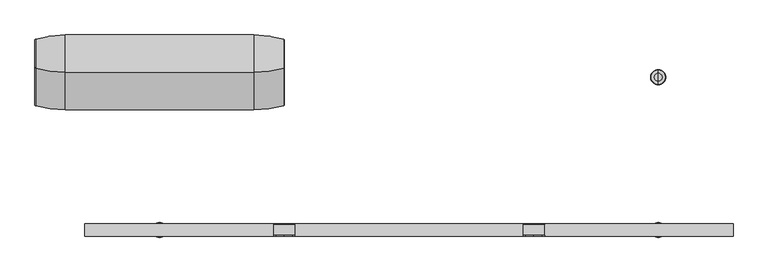
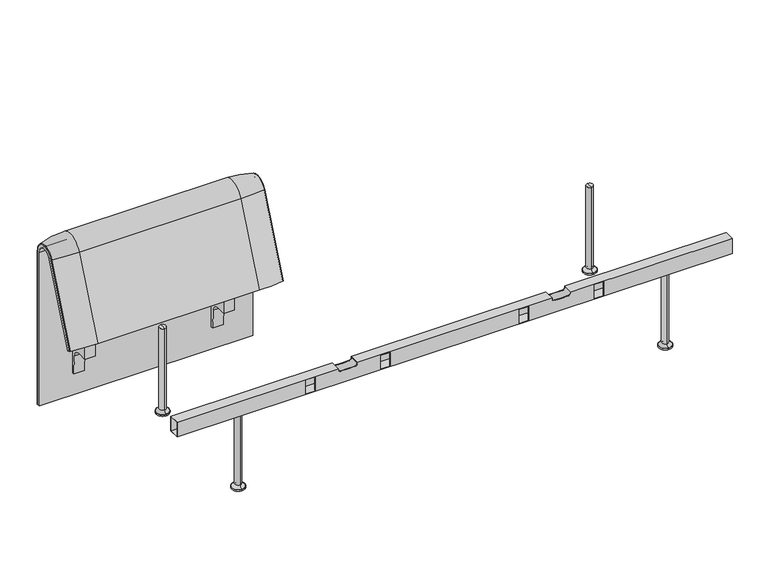
"""IFC4 building model written with IfcOpenShell, lengths in millimetres: furniture geometry."""

from ifc_helpers import new_model, si_unit, point, frame, frame_2d, origin, place, context, project, spatial, polyline, circle_curve, ellipse_curve, trimmed, segment, composite_curve, outline, extrude, source, transform, mapped, element, save
from ifc_brep_helpers import plane_surface, cylinder_surface, revolved_surface, advanced_brep


def furniture_9f03a4b9(model_context):
    return source(origin(), model_context, "Body", "SolidModel", [
        extrude(outline(composite_curve([segment(trimmed(circle_curve(frame_2d((305.0000061, 379.9223263)), 30.0), [point((305.0000061, 349.9223263))], [point((335.0000061, 379.9223263))], True, "CARTESIAN"), True, "CONTINUOUS"), segment(polyline([(335.0000061, 379.9223263), (335.0000061, 515.0657595)]), True, "CONTINUOUS"), segment(trimmed(circle_curve(frame_2d((305.0000061, 515.0657595)), 30.0), [point((335.0000061, 515.0657595))], [point((316.7219399, 542.6809051))], True, "CARTESIAN"), True, "CONTINUOUS"), segment(polyline([(316.7219399, 542.6809051), (257.4911714, 567.8228747)]), True, "CONTINUOUS"), segment(trimmed(circle_curve(frame_2d((251.6302045, 554.0153019)), 15.0), [point((257.4911714, 567.8228747))], [point((238.0355877, 560.3545758))], True, "CARTESIAN"), True, "CONTINUOUS"), segment(polyline([(238.0355877, 560.3545758), (222.2725218, 526.5505721), (213.7507451, 529.5682915), (296.3054528, 724.0549949)]), True, "CONTINUOUS"), segment(trimmed(circle_curve(frame_2d((322.520748, 712.9272623)), 28.479258), [point((296.3054528, 724.0549949))], [point((351.0000061, 712.9272623))], False, "CARTESIAN"), True, "CONTINUOUS"), segment(polyline([(351.0000061, 712.9272623), (351.0000061, 197.0551771), (343.3075759, 197.0551771), (339.4064861, 271.492405)]), True, "CONTINUOUS"), segment(trimmed(circle_curve(frame_2d((309.4476, 269.9223263)), 30.0), [point((339.4064861, 271.492405))], [point((309.4476, 299.9223263))], True, "CARTESIAN"), True, "CONTINUOUS"), segment(polyline([(309.4476, 299.9223263), (270.0000061, 299.9223263), (270.0000061, 359.9223263), (275.0000061, 359.9223263)]), True, "CONTINUOUS"), segment(trimmed(circle_curve(frame_2d((285.0000061, 359.9223263)), 10.0), [point((275.0000061, 359.9223263))], [point((285.0000061, 349.9223263))], True, "CARTESIAN"), True, "CONTINUOUS"), segment(polyline([(285.0000061, 349.9223263), (305.0000061, 349.9223263)]), True, "CONTINUOUS")], self_intersect=False), holes=[composite_curve([segment(polyline([(337.5000061, 576.3274105), (337.5000061, 716.7072663)]), True, "CONTINUOUS"), segment(trimmed(circle_curve(frame_2d((322.5000061, 716.7072663)), 15.0), [point((337.5000061, 716.7072663))], [point((308.9053893, 723.0465402))], True, "CARTESIAN"), True, "CONTINUOUS"), segment(polyline([(308.9053893, 723.0465402), (253.6256191, 604.4986904)]), True, "CONTINUOUS"), segment(trimmed(circle_curve(frame_2d((271.7517748, 596.0463251)), 20.0), [point((253.6256191, 604.4986904))], [point((265.0756376, 577.1934953))], True, "CARTESIAN"), True, "CONTINUOUS"), segment(polyline([(265.0756376, 577.1934953), (314.1406626, 559.8186587)]), True, "CONTINUOUS"), segment(trimmed(circle_curve(frame_2d((319.9867182, 576.3274105)), 17.5132879), [point((314.1406626, 559.8186587))], [point((337.5000061, 576.3274105))], True, "CARTESIAN"), True, "CONTINUOUS")], self_intersect=False)]), frame((-570.986452, 0.0, 0.0), z_axis=(1.0, 0.0, 0.0), x_axis=(0.0, 1.0, 0.0)), (0.0, 0.0, 1.0), 40.0),
        advanced_brep(
        [(-507.9740803, 388.2902376, 100.5089435), (-410.1127088, 373.93893, 100.5089435), (-407.9740803, 371.0652495, 100.5089435), (-407.9740803, 359.7858817, 100.5089435), (-1223.9884174, 359.7858817, 100.5089435), (-1223.9884174, 371.0652495, 100.5089435), (-1221.8497889, 373.93893, 100.5089435), (-1123.9884174, 388.2902376, 100.5089435), (-1123.9884174, 388.2902376, 720.3417731), (-507.9740803, 388.2902376, 720.3417731), (-410.1127088, 373.93893, 720.3417731), (-407.9740803, 371.0652495, 720.3417731), (-407.9740803, 282.0164812, 738.0210907), (-407.9740803, 159.7723383, 442.2908598), (-407.9740803, 170.1962447, 437.9819952), (-407.9740803, 292.4403877, 733.7122262), (-407.9740803, 359.7858817, 720.3417731), (-1223.9884174, 359.7858817, 720.3417731), (-507.9740803, 143.8537454, 448.8710282), (-1123.9884174, 143.8537454, 448.8710282), (-1221.8497889, 157.1166065, 443.3886429), (-1223.9884174, 159.7723383, 442.2908598), (-1223.9884174, 170.1962447, 437.9819952), (-410.1127088, 157.1166065, 443.3886429), (-507.9740803, 266.0978884, 744.6012592), (-1123.9884174, 266.0978884, 744.6012592), (-410.1127088, 279.3607494, 739.1188739), (-1223.9884174, 292.4403877, 733.7122262), (-1223.9884174, 282.0164812, 738.0210907), (-1223.9884174, 371.0652495, 720.3417731), (-1221.8497889, 373.93893, 720.3417731), (-1221.8497889, 279.3607494, 739.1188739)],
        [
            (0, 1, circle_curve(frame((-507.9740803, 47.4569043, 100.5089435), z_axis=(0.0, 0.0, -1.0), x_axis=(0.0, -1.0, 0.0)), 340.8333333)),
            (1, 2, circle_curve(frame((-410.9740803, 371.0652495, 100.5089435), z_axis=(0.0, 0.0, -1.0), x_axis=(1.0, 0.0, 0.0)), 3.0)),
            (2, 3),
            (3, 4),
            (4, 5),
            (5, 6, circle_curve(frame((-1220.9884174, 371.0652495, 100.5089435), z_axis=(0.0, 0.0, -1.0), x_axis=(-1.0, 0.0, 0.0)), 3.0)),
            (6, 7, circle_curve(frame((-1123.9884174, 47.4569043, 100.5089435), z_axis=(0.0, 0.0, -1.0), x_axis=(0.0, -1.0, 0.0)), 340.8333333)),
            (7, 0),
            (7, 8),
            (8, 9),
            (9, 0),
            (9, 10, circle_curve(frame((-507.9740803, 47.4569043, 720.3417731), z_axis=(0.0, 0.0, -1.0), x_axis=(0.0, -1.0, 0.0)), 340.8333333)),
            (10, 1),
            (10, 11, circle_curve(frame((-410.9740803, 371.0652495, 720.3417731), z_axis=(0.0, 0.0, -1.0), x_axis=(1.0, 0.0, 0.0)), 3.0)),
            (11, 2),
            (11, 12, circle_curve(frame((-407.9740803, 324.7858817, 720.3417731), z_axis=(1.0, 0.0, 0.0), x_axis=(0.0, 1.0, 0.0)), 46.2793679)),
            (12, 13),
            (13, 14),
            (14, 15),
            (15, 16, circle_curve(frame((-407.9740803, 324.7858817, 720.3417731), z_axis=(-1.0, 0.0, 0.0), x_axis=(0.0, 1.0, 0.0)), 35.0)),
            (16, 3),
            (16, 17),
            (17, 4),
            (18, 19),
            (19, 20, circle_curve(frame((-1123.9884174, 458.8372467, 318.6682822), z_axis=(0.0, -0.38201294675155345, -0.9241569717933176), x_axis=(0.0, 0.9241569717933176, -0.38201294675155345)), 340.8333333)),
            (20, 21, circle_curve(frame((-1220.9884174, 159.7723383, 442.2908598), z_axis=(0.0, -0.38201294675155345, -0.9241569717933176), x_axis=(-1.0, 0.0, 0.0)), 3.0)),
            (21, 22),
            (22, 14),
            (13, 23, circle_curve(frame((-410.9740803, 159.7723383, 442.2908598), z_axis=(0.0, -0.38201294675155345, -0.9241569717933176), x_axis=(1.0, 0.0, 0.0)), 3.0)),
            (23, 18, circle_curve(frame((-507.9740803, 458.8372467, 318.6682822), z_axis=(0.0, -0.38201294675155345, -0.9241569717933176), x_axis=(0.0, 0.9241569717933176, -0.38201294675155345)), 340.8333333)),
            (24, 9, circle_curve(frame((-507.9740803, 324.7858817, 720.3417731), z_axis=(-1.0, 0.0, 0.0), x_axis=(0.0, 1.0, 0.0)), 63.5043559)),
            (8, 25, circle_curve(frame((-1123.9884174, 324.7858817, 720.3417731), z_axis=(1.0, 0.0, 0.0), x_axis=(0.0, 1.0, 0.0)), 63.5043559)),
            (25, 24),
            (26, 10, circle_curve(frame((-410.1127088, 324.7858817, 720.3417731), z_axis=(-1.0, 0.0, 0.0), x_axis=(0.0, 1.0, 0.0)), 49.1530483)),
            (24, 26, circle_curve(frame((-507.9740803, 581.0813896, 614.3985132), z_axis=(0.0, 0.382012946751556, 0.9241569717933165), x_axis=(0.0, 0.9241569717933165, -0.382012946751556)), 340.8333333)),
            (26, 12, circle_curve(frame((-410.9740803, 282.0164812, 738.0210907), z_axis=(0.0, 0.3820129467515552, 0.9241569717933168), x_axis=(1.0, 0.0, 0.0)), 3.0)),
            (27, 17, circle_curve(frame((-1223.9884174, 324.7858817, 720.3417731), z_axis=(-1.0, 0.0, 0.0), x_axis=(0.0, 1.0, 0.0)), 35.0)),
            (15, 27),
            (25, 19),
            (18, 24),
            (23, 26),
            (22, 27),
            (21, 28),
            (28, 29, circle_curve(frame((-1223.9884174, 324.7858817, 720.3417731), z_axis=(-1.0, 0.0, 0.0), x_axis=(0.0, 1.0, 0.0)), 46.2793679)),
            (29, 5),
            (29, 30, circle_curve(frame((-1220.9884174, 371.0652495, 720.3417731), z_axis=(0.0, 0.0, -1.0), x_axis=(-1.0, 0.0, 0.0)), 3.0)),
            (30, 6),
            (30, 8, circle_curve(frame((-1123.9884174, 47.4569043, 720.3417731), z_axis=(0.0, 0.0, -1.0), x_axis=(0.0, -1.0, 0.0)), 340.8333333)),
            (31, 30, circle_curve(frame((-1221.8497889, 324.7858817, 720.3417731), z_axis=(-1.0, 0.0, 0.0), x_axis=(0.0, 1.0, 0.0)), 49.1530483)),
            (28, 31, circle_curve(frame((-1220.9884174, 282.0164812, 738.0210907), z_axis=(0.0, 0.3820129467515544, 0.9241569717933172), x_axis=(-1.0, 0.0, 0.0)), 3.0)),
            (31, 25, circle_curve(frame((-1123.9884174, 581.0813896, 614.3985132), z_axis=(0.0, 0.3820129467515532, 0.9241569717933177), x_axis=(0.0, 0.9241569717933177, -0.3820129467515532)), 340.8333333)),
            (20, 31),
        ],
        [
            plane_surface(frame((-811.2162256, 359.7858817, 100.5089435), z_axis=(0.0, 0.0, -1.0), x_axis=(1.0, 0.0, 0.0))),
            plane_surface(frame((-1123.9884174, 388.2902376, 100.5089435), z_axis=(0.0, 1.0, 0.0), x_axis=(0.0, 0.0, 1.0))),
            cylinder_surface(frame((-507.9740803, 47.4569043, 100.5089435), z_axis=(0.0, 0.0, -1.0), x_axis=(0.0, -1.0, 0.0)), 340.8333333),
            cylinder_surface(frame((-410.9740803, 371.0652495, 100.5089435), z_axis=(0.0, 0.0, -1.0), x_axis=(1.0, 0.0, 0.0)), 3.0),
            plane_surface(frame((-407.9740803, 371.0652495, 100.5089435), z_axis=(1.0, 0.0, 0.0), x_axis=(0.0, 0.0, 1.0))),
            plane_surface(frame((-407.9740803, 359.7858817, 100.5089435), z_axis=(0.0, -1.0, 0.0), x_axis=(0.0, 0.0, 1.0))),
            plane_surface(frame((-811.2162256, 170.1962447, 437.9819952), z_axis=(0.0, -0.38201294675155345, -0.9241569717933176), x_axis=(1.0, 0.0, 0.0))),
            cylinder_surface(frame((-811.2162256, 324.7858817, 720.3417731), z_axis=(1.0, 0.0, 0.0), x_axis=(0.0, 1.0, 0.0)), 63.5043559),
            revolved_surface(trimmed(ellipse_curve(frame((-507.9740803, 47.4569043, 720.3417731), z_axis=(0.0, 0.0, -1.0), x_axis=(0.0, -1.0, 0.0)), 340.8333333, 340.8333333), [point((-507.9740803, 388.2902376, 720.3417731))], [point((-410.1127088, 373.93893, 720.3417731))], True, "CARTESIAN"), (-811.2162256, 324.7858817, 720.3417731), (1.0, 0.0, 0.0)),
            revolved_surface(trimmed(ellipse_curve(frame((-410.9740803, 371.0652495, 720.3417731), z_axis=(0.0, 0.0, -1.0), x_axis=(1.0, 0.0, 0.0)), 3.0, 3.0), [point((-410.1127088, 373.93893, 720.3417731))], [point((-407.9740803, 371.0652495, 720.3417731))], True, "CARTESIAN"), (-811.2162256, 324.7858817, 720.3417731), (1.0, 0.0, 0.0)),
            revolved_surface(polyline([(-407.9740803, 359.7858817, 720.3417731), (-1223.9884174, 359.7858817, 720.3417731)]), (-811.2162256, 324.7858817, 720.3417731), (1.0, 0.0, 0.0)),
            plane_surface(frame((-1123.9884174, 266.0978884, 744.6012592), z_axis=(0.0, -0.9241569717933176, 0.38201294675155356), x_axis=(0.0, -0.38201294675155356, -0.9241569717933176))),
            cylinder_surface(frame((-507.9740803, 581.0813896, 614.3985132), z_axis=(0.0, 0.38201294675155345, 0.9241569717933176), x_axis=(0.0, 0.9241569717933176, -0.38201294675155345)), 340.8333333),
            cylinder_surface(frame((-410.9740803, 282.0164812, 738.0210907), z_axis=(0.0, 0.38201294675155345, 0.9241569717933176), x_axis=(1.0, 0.0, 0.0)), 3.0),
            plane_surface(frame((-407.9740803, 292.4403877, 733.7122262), z_axis=(0.0, 0.9241569717933176, -0.38201294675155356), x_axis=(0.0, -0.38201294675155356, -0.9241569717933176))),
            plane_surface(frame((-1223.9884174, 359.7858817, 100.5089435), z_axis=(-1.0, 0.0, 0.0), x_axis=(0.0, 0.0, 1.0))),
            cylinder_surface(frame((-1220.9884174, 371.0652495, 100.5089435), z_axis=(0.0, 0.0, -1.0), x_axis=(-1.0, 0.0, 0.0)), 3.0),
            cylinder_surface(frame((-1123.9884174, 47.4569043, 100.5089435), z_axis=(0.0, 0.0, -1.0), x_axis=(0.0, -1.0, 0.0)), 340.8333333),
            revolved_surface(trimmed(ellipse_curve(frame((-1220.9884174, 371.0652495, 720.3417731), z_axis=(0.0, 0.0, -1.0), x_axis=(-1.0, 0.0, 0.0)), 3.0, 3.0), [point((-1223.9884174, 371.0652495, 720.3417731))], [point((-1221.8497889, 373.93893, 720.3417731))], True, "CARTESIAN"), (-811.2162256, 324.7858817, 720.3417731), (1.0, 0.0, 0.0)),
            revolved_surface(trimmed(ellipse_curve(frame((-1123.9884174, 47.4569043, 720.3417731), z_axis=(0.0, 0.0, -1.0), x_axis=(0.0, -1.0, 0.0)), 340.8333333, 340.8333333), [point((-1221.8497889, 373.93893, 720.3417731))], [point((-1123.9884174, 388.2902376, 720.3417731))], True, "CARTESIAN"), (-811.2162256, 324.7858817, 720.3417731), (1.0, 0.0, 0.0)),
            cylinder_surface(frame((-1220.9884174, 282.0164812, 738.0210907), z_axis=(0.0, 0.38201294675155345, 0.9241569717933176), x_axis=(-1.0, 0.0, 0.0)), 3.0),
            cylinder_surface(frame((-1123.9884174, 581.0813896, 614.3985132), z_axis=(0.0, 0.38201294675155345, 0.9241569717933176), x_axis=(0.0, 0.9241569717933176, -0.38201294675155345)), 340.8333333),
        ],
        [
            (0, [[1, 2, 3, 4, 5, 6, 7, 8]]),
            (1, [[-8, 9, 10, 11]]),
            (2, [[-1, -11, 12, 13]]),
            (3, [[-2, -13, 14, 15]]),
            (4, [[-3, -15, 16, 17, 18, 19, 20, 21]]),
            (5, [[-4, -21, 22, 23]]),
            (6, [[24, 25, 26, 27, 28, -18, 29, 30]]),
            (7, [[31, -10, 32, 33]]),
            (8, [[34, -12, -31, 35]]),
            (9, [[-16, -14, -34, 36]]),
            (10, [[37, -22, -20, 38]]),
            (11, [[-33, 39, -24, 40]]),
            (12, [[-35, -40, -30, 41]]),
            (13, [[-36, -41, -29, -17]]),
            (14, [[-38, -19, -28, 42]]),
            (15, [[-5, -23, -37, -42, -27, 43, 44, 45]]),
            (16, [[-6, -45, 46, 47]]),
            (17, [[-7, -47, 48, -9]]),
            (18, [[49, -46, -44, 50]]),
            (19, [[-32, -48, -49, 51]]),
            (20, [[-50, -43, -26, 52]]),
            (21, [[-51, -52, -25, -39]]),
        ],
    ),
        extrude(outline(composite_curve([segment(trimmed(circle_curve(frame_2d((305.0000061, 379.9223263)), 30.0), [point((305.0000061, 349.9223263))], [point((335.0000061, 379.9223263))], True, "CARTESIAN"), True, "CONTINUOUS"), segment(polyline([(335.0000061, 379.9223263), (335.0000061, 515.0657595)]), True, "CONTINUOUS"), segment(trimmed(circle_curve(frame_2d((305.0000061, 515.0657595)), 30.0), [point((335.0000061, 515.0657595))], [point((316.7219399, 542.6809051))], True, "CARTESIAN"), True, "CONTINUOUS"), segment(polyline([(316.7219399, 542.6809051), (257.4911714, 567.8228747)]), True, "CONTINUOUS"), segment(trimmed(circle_curve(frame_2d((251.6302045, 554.0153019)), 15.0), [point((257.4911714, 567.8228747))], [point((238.0355877, 560.3545758))], True, "CARTESIAN"), True, "CONTINUOUS"), segment(polyline([(238.0355877, 560.3545758), (222.2725218, 526.5505721), (213.7507451, 529.5682915), (296.3054528, 724.0549949)]), True, "CONTINUOUS"), segment(trimmed(circle_curve(frame_2d((322.520748, 712.9272623)), 28.479258), [point((296.3054528, 724.0549949))], [point((351.0000061, 712.9272623))], False, "CARTESIAN"), True, "CONTINUOUS"), segment(polyline([(351.0000061, 712.9272623), (351.0000061, 197.0551771), (343.3075759, 197.0551771), (339.4064861, 271.492405)]), True, "CONTINUOUS"), segment(trimmed(circle_curve(frame_2d((309.4476, 269.9223263)), 30.0), [point((339.4064861, 271.492405))], [point((309.4476, 299.9223263))], True, "CARTESIAN"), True, "CONTINUOUS"), segment(polyline([(309.4476, 299.9223263), (270.0000061, 299.9223263), (270.0000061, 359.9223263), (275.0000061, 359.9223263)]), True, "CONTINUOUS"), segment(trimmed(circle_curve(frame_2d((285.0000061, 359.9223263)), 10.0), [point((275.0000061, 359.9223263))], [point((285.0000061, 349.9223263))], True, "CARTESIAN"), True, "CONTINUOUS"), segment(polyline([(285.0000061, 349.9223263), (305.0000061, 349.9223263)]), True, "CONTINUOUS")], self_intersect=False), holes=[composite_curve([segment(polyline([(337.5000061, 576.3274105), (337.5000061, 716.7072663)]), True, "CONTINUOUS"), segment(trimmed(circle_curve(frame_2d((322.5000061, 716.7072663)), 15.0), [point((337.5000061, 716.7072663))], [point((308.9053893, 723.0465402))], True, "CARTESIAN"), True, "CONTINUOUS"), segment(polyline([(308.9053893, 723.0465402), (253.6256191, 604.4986904)]), True, "CONTINUOUS"), segment(trimmed(circle_curve(frame_2d((271.7517748, 596.0463251)), 20.0), [point((253.6256191, 604.4986904))], [point((265.0756376, 577.1934953))], True, "CARTESIAN"), True, "CONTINUOUS"), segment(polyline([(265.0756376, 577.1934953), (314.1406626, 559.8186587)]), True, "CONTINUOUS"), segment(trimmed(circle_curve(frame_2d((319.9867182, 576.3274105)), 17.5132879), [point((314.1406626, 559.8186587))], [point((337.5000061, 576.3274105))], True, "CARTESIAN"), True, "CONTINUOUS")], self_intersect=False)]), frame((-1100.9760457, 0.0, 0.0), z_axis=(1.0, 0.0, 0.0), x_axis=(0.0, 1.0, 0.0)), (0.0, 0.0, 1.0), 40.0),
        advanced_brep(
        [(815.9812488, -250.0000031, 0.0), (815.9812488, -225.0000031, 0.0), (815.9812488, -275.0000031, 0.0), (815.9812488, -262.4715672, 344.8637637), (815.9812488, -237.5284391, 344.8637637), (815.9812488, -250.0000031, 344.8637637), (815.9812488, -262.4715672, 16.2604994), (815.9812488, -237.5284391, 16.2604994), (815.9812488, -273.2294713, 5.5025953), (815.9812488, -226.770535, 5.5025953), (815.9812488, -275.0000031, 5.5025953), (815.9812488, -225.0000031, 5.5025953)],
        [
            (0, 1),
            (1, 2, circle_curve(frame((815.9812488, -250.0000031, 0.0), z_axis=(0.0, 0.0, -1.0), x_axis=(0.0, 1.0, 0.0)), 25.0)),
            (2, 0),
            (2, 1, circle_curve(frame((815.9812488, -250.0000031, 0.0), z_axis=(0.0, 0.0, -1.0), x_axis=(0.0, 1.0, 0.0)), 25.0)),
            (3, 4, circle_curve(frame((815.9812488, -250.0000031, 344.8637637), z_axis=(0.0, 0.0, 1.0), x_axis=(0.0, 1.0, 0.0)), 12.471564)),
            (4, 5),
            (5, 3),
            (4, 3, circle_curve(frame((815.9812488, -250.0000031, 344.8637637), z_axis=(0.0, 0.0, 1.0), x_axis=(0.0, 1.0, 0.0)), 12.471564)),
            (6, 7, circle_curve(frame((815.9812488, -250.0000031, 16.2604994), z_axis=(0.0, 0.0, 1.0), x_axis=(0.0, 1.0, 0.0)), 12.471564)),
            (7, 4),
            (3, 6),
            (7, 6, circle_curve(frame((815.9812488, -250.0000031, 16.2604994), z_axis=(0.0, 0.0, 1.0), x_axis=(0.0, 1.0, 0.0)), 12.471564)),
            (8, 9, circle_curve(frame((815.9812488, -250.0000031, 5.5025953), z_axis=(0.0, 0.0, 1.0), x_axis=(0.0, 1.0, 0.0)), 23.2294681)),
            (9, 7, circle_curve(frame((815.9812488, -226.770535, 16.2604994), z_axis=(-1.0, 0.0, 0.0), x_axis=(0.0, 1.0, 0.0)), 10.7579041)),
            (6, 8, circle_curve(frame((815.9812488, -273.2294713, 16.2604994), z_axis=(-1.0, 0.0, 0.0), x_axis=(0.0, -1.0, 0.0)), 10.7579041)),
            (9, 8, circle_curve(frame((815.9812488, -250.0000031, 5.5025953), z_axis=(0.0, 0.0, 1.0), x_axis=(0.0, 1.0, 0.0)), 23.2294681)),
            (10, 11, circle_curve(frame((815.9812488, -250.0000031, 5.5025953), z_axis=(0.0, 0.0, 1.0), x_axis=(0.0, 1.0, 0.0)), 25.0)),
            (11, 9),
            (8, 10),
            (11, 10, circle_curve(frame((815.9812488, -250.0000031, 5.5025953), z_axis=(0.0, 0.0, 1.0), x_axis=(0.0, 1.0, 0.0)), 25.0)),
            (1, 11),
            (10, 2),
        ],
        [
            plane_surface(frame((815.9812488, -250.0000031, 0.0), z_axis=(0.0, 0.0, -1.0), x_axis=(0.0, 1.0, 0.0))),
            plane_surface(frame((815.9812488, -250.0000031, 344.8637637), z_axis=(0.0, 0.0, 1.0), x_axis=(0.0, 1.0, 0.0))),
            cylinder_surface(frame((815.9812488, -250.0000031, 344.8637637), z_axis=(0.0, 0.0, -1.0), x_axis=(0.0, 1.0, 0.0)), 12.471564),
            revolved_surface(trimmed(ellipse_curve(frame((815.9812488, -226.770535, 16.2604994), z_axis=(1.0, 0.0, 0.0), x_axis=(0.0, 1.0, 0.0)), 10.7579041, 10.7579041), [point((815.9812488, -237.5284391, 16.2604994))], [point((815.9812488, -226.770535, 5.5025953))], True, "CARTESIAN"), (815.9812488, -250.0000031, 344.8637637), (0.0, 0.0, -1.0)),
            plane_surface(frame((815.9812488, -250.0000031, 5.5025953), z_axis=(0.0, 0.0, 1.0), x_axis=(0.0, 1.0, 0.0))),
            cylinder_surface(frame((815.9812488, -250.0000031, 344.8637637), z_axis=(0.0, 0.0, -1.0), x_axis=(0.0, 1.0, 0.0)), 25.0),
        ],
        [
            (0, [[1, 2, 3]]),
            (0, [[-3, 4, -1]]),
            (1, [[5, 6, 7]]),
            (1, [[8, -7, -6]]),
            (2, [[9, 10, -5, 11]]),
            (2, [[12, -11, -8, -10]]),
            (3, [[13, 14, -9, 15]]),
            (3, [[16, -15, -12, -14]]),
            (4, [[17, 18, -13, 19]]),
            (4, [[20, -19, -16, -18]]),
            (5, [[-2, 21, -17, 22]]),
            (5, [[-4, -22, -20, -21]]),
        ],
    ),
        advanced_brep(
        [(815.9812488, 275.0000031, 0.0), (815.9812488, 225.0000031, 0.0), (815.9812488, 250.0000031, 0.0), (815.9812488, 250.0000031, 344.8637637), (815.9812488, 237.5284391, 344.8637637), (815.9812488, 262.4715672, 344.8637637), (815.9812488, 237.5284391, 16.2604994), (815.9812488, 262.4715672, 16.2604994), (815.9812488, 226.770535, 5.5025953), (815.9812488, 273.2294713, 5.5025953), (815.9812488, 225.0000031, 5.5025953), (815.9812488, 275.0000031, 5.5025953)],
        [
            (0, 1, circle_curve(frame((815.9812488, 250.0000031, 0.0), z_axis=(0.0, 0.0, -1.0), x_axis=(0.0, -1.0, 0.0)), 25.0)),
            (1, 2),
            (2, 0),
            (1, 0, circle_curve(frame((815.9812488, 250.0000031, 0.0), z_axis=(0.0, 0.0, -1.0), x_axis=(0.0, -1.0, 0.0)), 25.0)),
            (3, 4),
            (4, 5, circle_curve(frame((815.9812488, 250.0000031, 344.8637637), z_axis=(0.0, 0.0, 1.0), x_axis=(0.0, -1.0, 0.0)), 12.471564)),
            (5, 3),
            (5, 4, circle_curve(frame((815.9812488, 250.0000031, 344.8637637), z_axis=(0.0, 0.0, 1.0), x_axis=(0.0, -1.0, 0.0)), 12.471564)),
            (4, 6),
            (6, 7, circle_curve(frame((815.9812488, 250.0000031, 16.2604994), z_axis=(0.0, 0.0, 1.0), x_axis=(0.0, -1.0, 0.0)), 12.471564)),
            (7, 5),
            (7, 6, circle_curve(frame((815.9812488, 250.0000031, 16.2604994), z_axis=(0.0, 0.0, 1.0), x_axis=(0.0, -1.0, 0.0)), 12.471564)),
            (6, 8, circle_curve(frame((815.9812488, 226.770535, 16.2604994), z_axis=(-1.0, 0.0, 0.0), x_axis=(0.0, -1.0, 0.0)), 10.7579041)),
            (8, 9, circle_curve(frame((815.9812488, 250.0000031, 5.5025953), z_axis=(0.0, 0.0, 1.0), x_axis=(0.0, -1.0, 0.0)), 23.2294681)),
            (9, 7, circle_curve(frame((815.9812488, 273.2294713, 16.2604994), z_axis=(-1.0, 0.0, 0.0), x_axis=(0.0, 1.0, 0.0)), 10.7579041)),
            (9, 8, circle_curve(frame((815.9812488, 250.0000031, 5.5025953), z_axis=(0.0, 0.0, 1.0), x_axis=(0.0, -1.0, 0.0)), 23.2294681)),
            (8, 10),
            (10, 11, circle_curve(frame((815.9812488, 250.0000031, 5.5025953), z_axis=(0.0, 0.0, 1.0), x_axis=(0.0, -1.0, 0.0)), 25.0)),
            (11, 9),
            (11, 10, circle_curve(frame((815.9812488, 250.0000031, 5.5025953), z_axis=(0.0, 0.0, 1.0), x_axis=(0.0, -1.0, 0.0)), 25.0)),
            (10, 1),
            (0, 11),
        ],
        [
            plane_surface(frame((815.9812488, 250.0000031, 0.0), z_axis=(0.0, 0.0, -1.0), x_axis=(0.0, -1.0, 0.0))),
            plane_surface(frame((815.9812488, 250.0000031, 344.8637637), z_axis=(0.0, 0.0, 1.0), x_axis=(0.0, -1.0, 0.0))),
            cylinder_surface(frame((815.9812488, 250.0000031, 344.8637637), z_axis=(0.0, 0.0, 1.0), x_axis=(0.0, -1.0, 0.0)), 12.471564),
            revolved_surface(trimmed(ellipse_curve(frame((815.9812488, 226.770535, 16.2604994), z_axis=(1.0, 0.0, 0.0), x_axis=(0.0, -1.0, 0.0)), 10.7579041, 10.7579041), [point((815.9812488, 226.770535, 5.5025953))], [point((815.9812488, 237.5284391, 16.2604994))], True, "CARTESIAN"), (815.9812488, 250.0000031, 344.8637637), (0.0, 0.0, 1.0)),
            plane_surface(frame((815.9812488, 250.0000031, 5.5025953), z_axis=(0.0, 0.0, 1.0), x_axis=(0.0, -1.0, 0.0))),
            cylinder_surface(frame((815.9812488, 250.0000031, 344.8637637), z_axis=(0.0, 0.0, 1.0), x_axis=(0.0, -1.0, 0.0)), 25.0),
        ],
        [
            (0, [[1, 2, 3]]),
            (0, [[4, -3, -2]]),
            (1, [[5, 6, 7]]),
            (1, [[-7, 8, -5]]),
            (2, [[-6, 9, 10, 11]]),
            (2, [[-8, -11, 12, -9]]),
            (3, [[-10, 13, 14, 15]]),
            (3, [[-12, -15, 16, -13]]),
            (4, [[-14, 17, 18, 19]]),
            (4, [[-16, -19, 20, -17]]),
            (5, [[-18, 21, -1, 22]]),
            (5, [[-20, -22, -4, -21]]),
        ],
    ),
        advanced_brep(
        [(-815.9812488, -275.0000031, 0.0), (-815.9812488, -225.0000031, 0.0), (-815.9812488, -250.0000031, 0.0), (-815.9812488, -250.0000031, 344.8637637), (-815.9812488, -237.5284391, 344.8637637), (-815.9812488, -262.4715672, 344.8637637), (-815.9812488, -237.5284391, 16.2604994), (-815.9812488, -262.4715672, 16.2604994), (-815.9812488, -226.770535, 5.5025953), (-815.9812488, -273.2294713, 5.5025953), (-815.9812488, -225.0000031, 5.5025953), (-815.9812488, -275.0000031, 5.5025953)],
        [
            (0, 1, circle_curve(frame((-815.9812488, -250.0000031, 0.0), z_axis=(0.0, 0.0, -1.0), x_axis=(0.0, 1.0, 0.0)), 25.0)),
            (1, 2),
            (2, 0),
            (1, 0, circle_curve(frame((-815.9812488, -250.0000031, 0.0), z_axis=(0.0, 0.0, -1.0), x_axis=(0.0, 1.0, 0.0)), 25.0)),
            (3, 4),
            (4, 5, circle_curve(frame((-815.9812488, -250.0000031, 344.8637637), z_axis=(0.0, 0.0, 1.0), x_axis=(0.0, 1.0, 0.0)), 12.471564)),
            (5, 3),
            (5, 4, circle_curve(frame((-815.9812488, -250.0000031, 344.8637637), z_axis=(0.0, 0.0, 1.0), x_axis=(0.0, 1.0, 0.0)), 12.471564)),
            (4, 6),
            (6, 7, circle_curve(frame((-815.9812488, -250.0000031, 16.2604994), z_axis=(0.0, 0.0, 1.0), x_axis=(0.0, 1.0, 0.0)), 12.471564)),
            (7, 5),
            (7, 6, circle_curve(frame((-815.9812488, -250.0000031, 16.2604994), z_axis=(0.0, 0.0, 1.0), x_axis=(0.0, 1.0, 0.0)), 12.471564)),
            (6, 8, circle_curve(frame((-815.9812488, -226.770535, 16.2604994), z_axis=(1.0, 0.0, 0.0), x_axis=(0.0, 1.0, 0.0)), 10.7579041)),
            (8, 9, circle_curve(frame((-815.9812488, -250.0000031, 5.5025953), z_axis=(0.0, 0.0, 1.0), x_axis=(0.0, 1.0, 0.0)), 23.2294681)),
            (9, 7, circle_curve(frame((-815.9812488, -273.2294713, 16.2604994), z_axis=(1.0, 0.0, 0.0), x_axis=(0.0, -1.0, 0.0)), 10.7579041)),
            (9, 8, circle_curve(frame((-815.9812488, -250.0000031, 5.5025953), z_axis=(0.0, 0.0, 1.0), x_axis=(0.0, 1.0, 0.0)), 23.2294681)),
            (8, 10),
            (10, 11, circle_curve(frame((-815.9812488, -250.0000031, 5.5025953), z_axis=(0.0, 0.0, 1.0), x_axis=(0.0, 1.0, 0.0)), 25.0)),
            (11, 9),
            (11, 10, circle_curve(frame((-815.9812488, -250.0000031, 5.5025953), z_axis=(0.0, 0.0, 1.0), x_axis=(0.0, 1.0, 0.0)), 25.0)),
            (10, 1),
            (0, 11),
        ],
        [
            plane_surface(frame((-815.9812488, -250.0000031, 0.0), z_axis=(0.0, 0.0, -1.0), x_axis=(0.0, 1.0, 0.0))),
            plane_surface(frame((-815.9812488, -250.0000031, 344.8637637), z_axis=(0.0, 0.0, 1.0), x_axis=(0.0, 1.0, 0.0))),
            cylinder_surface(frame((-815.9812488, -250.0000031, 344.8637637), z_axis=(0.0, 0.0, 1.0), x_axis=(0.0, 1.0, 0.0)), 12.471564),
            revolved_surface(trimmed(ellipse_curve(frame((-815.9812488, -226.770535, 16.2604994), z_axis=(-1.0, 0.0, 0.0), x_axis=(0.0, 1.0, 0.0)), 10.7579041, 10.7579041), [point((-815.9812488, -226.770535, 5.5025953))], [point((-815.9812488, -237.5284391, 16.2604994))], True, "CARTESIAN"), (-815.9812488, -250.0000031, 344.8637637), (0.0, 0.0, 1.0)),
            plane_surface(frame((-815.9812488, -250.0000031, 5.5025953), z_axis=(0.0, 0.0, 1.0), x_axis=(0.0, 1.0, 0.0))),
            cylinder_surface(frame((-815.9812488, -250.0000031, 344.8637637), z_axis=(0.0, 0.0, 1.0), x_axis=(0.0, 1.0, 0.0)), 25.0),
        ],
        [
            (0, [[1, 2, 3]]),
            (0, [[4, -3, -2]]),
            (1, [[5, 6, 7]]),
            (1, [[-7, 8, -5]]),
            (2, [[-6, 9, 10, 11]]),
            (2, [[-8, -11, 12, -9]]),
            (3, [[-10, 13, 14, 15]]),
            (3, [[-12, -15, 16, -13]]),
            (4, [[-14, 17, 18, 19]]),
            (4, [[-16, -19, 20, -17]]),
            (5, [[-18, 21, -1, 22]]),
            (5, [[-20, -22, -4, -21]]),
        ],
    ),
        advanced_brep(
        [(-815.9812488, 250.0000031, 0.0), (-815.9812488, 225.0000031, 0.0), (-815.9812488, 275.0000031, 0.0), (-815.9812488, 262.4715672, 344.8637637), (-815.9812488, 237.5284391, 344.8637637), (-815.9812488, 250.0000031, 344.8637637), (-815.9812488, 262.4715672, 16.2604994), (-815.9812488, 237.5284391, 16.2604994), (-815.9812488, 273.2294713, 5.5025953), (-815.9812488, 226.770535, 5.5025953), (-815.9812488, 275.0000031, 5.5025953), (-815.9812488, 225.0000031, 5.5025953)],
        [
            (0, 1),
            (1, 2, circle_curve(frame((-815.9812488, 250.0000031, 0.0), z_axis=(0.0, 0.0, -1.0), x_axis=(0.0, -1.0, 0.0)), 25.0)),
            (2, 0),
            (2, 1, circle_curve(frame((-815.9812488, 250.0000031, 0.0), z_axis=(0.0, 0.0, -1.0), x_axis=(0.0, -1.0, 0.0)), 25.0)),
            (3, 4, circle_curve(frame((-815.9812488, 250.0000031, 344.8637637), z_axis=(0.0, 0.0, 1.0), x_axis=(0.0, -1.0, 0.0)), 12.471564)),
            (4, 5),
            (5, 3),
            (4, 3, circle_curve(frame((-815.9812488, 250.0000031, 344.8637637), z_axis=(0.0, 0.0, 1.0), x_axis=(0.0, -1.0, 0.0)), 12.471564)),
            (6, 7, circle_curve(frame((-815.9812488, 250.0000031, 16.2604994), z_axis=(0.0, 0.0, 1.0), x_axis=(0.0, -1.0, 0.0)), 12.471564)),
            (7, 4),
            (3, 6),
            (7, 6, circle_curve(frame((-815.9812488, 250.0000031, 16.2604994), z_axis=(0.0, 0.0, 1.0), x_axis=(0.0, -1.0, 0.0)), 12.471564)),
            (8, 9, circle_curve(frame((-815.9812488, 250.0000031, 5.5025953), z_axis=(0.0, 0.0, 1.0), x_axis=(0.0, -1.0, 0.0)), 23.2294681)),
            (9, 7, circle_curve(frame((-815.9812488, 226.770535, 16.2604994), z_axis=(1.0, 0.0, 0.0), x_axis=(0.0, -1.0, 0.0)), 10.7579041)),
            (6, 8, circle_curve(frame((-815.9812488, 273.2294713, 16.2604994), z_axis=(1.0, 0.0, 0.0), x_axis=(0.0, 1.0, 0.0)), 10.7579041)),
            (9, 8, circle_curve(frame((-815.9812488, 250.0000031, 5.5025953), z_axis=(0.0, 0.0, 1.0), x_axis=(0.0, -1.0, 0.0)), 23.2294681)),
            (10, 11, circle_curve(frame((-815.9812488, 250.0000031, 5.5025953), z_axis=(0.0, 0.0, 1.0), x_axis=(0.0, -1.0, 0.0)), 25.0)),
            (11, 9),
            (8, 10),
            (11, 10, circle_curve(frame((-815.9812488, 250.0000031, 5.5025953), z_axis=(0.0, 0.0, 1.0), x_axis=(0.0, -1.0, 0.0)), 25.0)),
            (1, 11),
            (10, 2),
        ],
        [
            plane_surface(frame((-815.9812488, 250.0000031, 0.0), z_axis=(0.0, 0.0, -1.0), x_axis=(0.0, -1.0, 0.0))),
            plane_surface(frame((-815.9812488, 250.0000031, 344.8637637), z_axis=(0.0, 0.0, 1.0), x_axis=(0.0, -1.0, 0.0))),
            cylinder_surface(frame((-815.9812488, 250.0000031, 344.8637637), z_axis=(0.0, 0.0, -1.0), x_axis=(0.0, -1.0, 0.0)), 12.471564),
            revolved_surface(trimmed(ellipse_curve(frame((-815.9812488, 226.770535, 16.2604994), z_axis=(-1.0, 0.0, 0.0), x_axis=(0.0, -1.0, 0.0)), 10.7579041, 10.7579041), [point((-815.9812488, 237.5284391, 16.2604994))], [point((-815.9812488, 226.770535, 5.5025953))], True, "CARTESIAN"), (-815.9812488, 250.0000031, 344.8637637), (0.0, 0.0, -1.0)),
            plane_surface(frame((-815.9812488, 250.0000031, 5.5025953), z_axis=(0.0, 0.0, 1.0), x_axis=(0.0, -1.0, 0.0))),
            cylinder_surface(frame((-815.9812488, 250.0000031, 344.8637637), z_axis=(0.0, 0.0, -1.0), x_axis=(0.0, -1.0, 0.0)), 25.0),
        ],
        [
            (0, [[1, 2, 3]]),
            (0, [[-3, 4, -1]]),
            (1, [[5, 6, 7]]),
            (1, [[8, -7, -6]]),
            (2, [[9, 10, -5, 11]]),
            (2, [[12, -11, -8, -10]]),
            (3, [[13, 14, -9, 15]]),
            (3, [[16, -15, -12, -14]]),
            (4, [[17, 18, -13, 19]]),
            (4, [[20, -19, -16, -18]]),
            (5, [[-2, 21, -17, 22]]),
            (5, [[-4, -22, -20, -21]]),
        ],
    ),
        advanced_brep(
        [(-407.9906244, -230.0000056, 346.6346058), (-407.9906244, -232.0000018, 346.6346058), (-381.9939756, -232.0000018, 346.6346058), (-381.9939756, -230.0000056, 346.6346058), (-407.9906244, -268.0000023, 346.6346058), (-407.9906244, -270.0000061, 346.6346058), (-381.9939756, -270.0000061, 346.6346058), (-381.9939756, -268.0000023, 346.6346058), (-371.9939756, -232.0000018, 356.6346058), (-371.9939756, -230.0000056, 356.6346058), (-371.9939756, -270.0000061, 356.6346058), (-371.9939756, -268.0000023, 356.6346058), (-371.9939756, -232.0000018, 357.9224338), (-371.9939756, -268.0000023, 357.9224338), (-371.9939756, -270.0000061, 359.922434), (-371.9939756, -230.0000056, 359.922434), (-443.9872732, -232.0000018, 356.6346058), (-443.9872732, -230.0000056, 356.6346058), (-443.9872732, -230.0000056, 359.922434), (-443.9872732, -270.0000061, 359.922434), (-443.9872732, -270.0000061, 356.6346058), (-443.9872732, -268.0000023, 356.6346058), (-443.9872732, -268.0000023, 357.9224338), (-443.9872732, -232.0000018, 357.9224338), (-433.9872732, -230.0000056, 346.6346058), (-433.9872732, -232.0000018, 346.6346058), (-433.9872732, -268.0000023, 346.6346058), (-433.9872732, -270.0000061, 346.6346058), (1060.9822296, -230.0000056, 359.922434), (1060.9822296, -270.0000061, 359.922434), (1060.9822296, -270.0000061, 299.9223263), (1060.9822296, -230.0000056, 299.9223263), (1060.9822296, -268.0000023, 301.9086098), (1060.9822296, -268.0000023, 357.9224338), (1060.9822296, -232.0000018, 357.9224338), (1060.9822296, -232.0000018, 301.9086098), (-1060.9822296, -230.0000056, 359.922434), (-1060.9822296, -230.0000056, 299.9223263), (-1060.9822296, -270.0000061, 299.9223263), (-1060.9822296, -270.0000061, 359.922434), (-1060.9822296, -268.0000023, 301.9086098), (-1060.9822296, -232.0000018, 301.9086098), (-1060.9822296, -232.0000018, 357.9224338), (-1060.9822296, -268.0000023, 357.9224338), (371.9939756, -230.0000056, 359.922434), (371.9939756, -230.0000056, 356.6346058), (381.9939756, -230.0000056, 346.6346058), (407.9906244, -230.0000056, 346.6346058), (433.9872732, -230.0000056, 346.6346058), (443.9872732, -230.0000056, 356.6346058), (443.9872732, -230.0000056, 359.922434), (443.9872732, -270.0000061, 359.922434), (443.9872732, -270.0000061, 356.6346058), (433.9872732, -270.0000061, 346.6346058), (407.9906244, -270.0000061, 346.6346058), (381.9939756, -270.0000061, 346.6346058), (371.9939756, -270.0000061, 356.6346058), (371.9939756, -270.0000061, 359.922434), (-568.96075, -270.0000061, 357.9224338), (-532.9720684, -270.0000061, 357.9224338), (-532.9720684, -270.0000061, 301.9086098), (-568.96075, -270.0000061, 301.9086098), (-283.0091805, -270.0000061, 357.9224338), (-247.0204988, -270.0000061, 357.9224338), (-247.0204988, -270.0000061, 301.9086098), (-283.0091805, -270.0000061, 301.9086098), (247.0204988, -270.0000061, 357.9224338), (283.0091805, -270.0000061, 357.9224338), (283.0091805, -270.0000061, 301.9086098), (247.0204988, -270.0000061, 301.9086098), (532.9720684, -270.0000061, 357.9224338), (568.96075, -270.0000061, 357.9224338), (568.96075, -270.0000061, 301.9086098), (532.9720684, -270.0000061, 301.9086098), (-568.96075, -268.0000023, 301.9086098), (-532.9720684, -268.0000023, 301.9086098), (-283.0091805, -268.0000023, 301.9086098), (-247.0204988, -268.0000023, 301.9086098), (247.0204988, -268.0000023, 301.9086098), (283.0091805, -268.0000023, 301.9086098), (532.9720684, -268.0000023, 301.9086098), (568.96075, -268.0000023, 301.9086098), (443.9872732, -232.0000018, 357.9224338), (443.9872732, -232.0000018, 356.6346058), (433.9872732, -232.0000018, 346.6346058), (407.9906244, -232.0000018, 346.6346058), (381.9939756, -232.0000018, 346.6346058), (371.9939756, -232.0000018, 356.6346058), (371.9939756, -232.0000018, 357.9224338), (568.96075, -268.0000023, 357.9224338), (532.9720684, -268.0000023, 357.9224338), (443.9872732, -268.0000023, 357.9224338), (-532.9720684, -268.0000023, 357.9224338), (-568.96075, -268.0000023, 357.9224338), (371.9939756, -268.0000023, 357.9224338), (283.0091805, -268.0000023, 357.9224338), (247.0204988, -268.0000023, 357.9224338), (-247.0204988, -268.0000023, 357.9224338), (-283.0091805, -268.0000023, 357.9224338), (407.9906244, -268.0000023, 346.6346058), (433.9872732, -268.0000023, 346.6346058), (443.9872732, -268.0000023, 356.6346058), (371.9939756, -268.0000023, 356.6346058), (381.9939756, -268.0000023, 346.6346058)],
        [
            (0, 1),
            (1, 2),
            (2, 3),
            (3, 0),
            (4, 5),
            (5, 6),
            (6, 7),
            (7, 4),
            (2, 8, circle_curve(frame((-381.9939756, -232.0000018, 356.6346058), z_axis=(0.0, -1.0, 0.0), x_axis=(-1.0, 0.0, 0.0)), 10.0)),
            (8, 9),
            (9, 3, circle_curve(frame((-381.9939756, -230.0000056, 356.6346058), z_axis=(0.0, 1.0, 0.0), x_axis=(-1.0, 0.0, 0.0)), 10.0)),
            (6, 10, circle_curve(frame((-381.9939756, -270.0000061, 356.6346058), z_axis=(0.0, -1.0, 0.0), x_axis=(-1.0, 0.0, 0.0)), 10.0)),
            (10, 11),
            (11, 7, circle_curve(frame((-381.9939756, -268.0000023, 356.6346058), z_axis=(0.0, 1.0, 0.0), x_axis=(-1.0, 0.0, 0.0)), 10.0)),
            (8, 12),
            (12, 13),
            (13, 11),
            (10, 14),
            (14, 15),
            (15, 9),
            (16, 17),
            (17, 18),
            (18, 19),
            (19, 20),
            (20, 21),
            (21, 22),
            (22, 23),
            (23, 16),
            (0, 24),
            (24, 25),
            (25, 1),
            (4, 26),
            (26, 27),
            (27, 5),
            (24, 17, circle_curve(frame((-433.9872732, -230.0000056, 356.6346058), z_axis=(0.0, 1.0, 0.0), x_axis=(1.0, 0.0, 0.0)), 10.0)),
            (16, 25, circle_curve(frame((-433.9872732, -232.0000018, 356.6346058), z_axis=(0.0, -1.0, 0.0), x_axis=(1.0, 0.0, 0.0)), 10.0)),
            (26, 21, circle_curve(frame((-433.9872732, -268.0000023, 356.6346058), z_axis=(0.0, 1.0, 0.0), x_axis=(1.0, 0.0, 0.0)), 10.0)),
            (20, 27, circle_curve(frame((-433.9872732, -270.0000061, 356.6346058), z_axis=(0.0, -1.0, 0.0), x_axis=(1.0, 0.0, 0.0)), 10.0)),
            (28, 29),
            (29, 30),
            (30, 31),
            (31, 28),
            (32, 33),
            (33, 34),
            (34, 35),
            (35, 32),
            (36, 37),
            (37, 38),
            (38, 39),
            (39, 36),
            (40, 41),
            (41, 42),
            (42, 43),
            (43, 40),
            (31, 37),
            (36, 18),
            (15, 44),
            (44, 45),
            (45, 46, circle_curve(frame((381.9939756, -230.0000056, 356.6346058), z_axis=(0.0, -1.0, 0.0), x_axis=(1.0, 0.0, 0.0)), 10.0)),
            (46, 47),
            (47, 48),
            (48, 49, circle_curve(frame((433.9872732, -230.0000056, 356.6346058), z_axis=(0.0, -1.0, 0.0), x_axis=(-1.0, 0.0, 0.0)), 10.0)),
            (49, 50),
            (50, 28),
            (30, 38),
            (29, 51),
            (51, 52),
            (52, 53, circle_curve(frame((433.9872732, -270.0000061, 356.6346058), z_axis=(0.0, 1.0, 0.0), x_axis=(-1.0, 0.0, 0.0)), 10.0)),
            (53, 54),
            (54, 55),
            (55, 56, circle_curve(frame((381.9939756, -270.0000061, 356.6346058), z_axis=(0.0, 1.0, 0.0), x_axis=(1.0, 0.0, 0.0)), 10.0)),
            (56, 57),
            (57, 14),
            (19, 39),
            (58, 59),
            (59, 60),
            (60, 61),
            (61, 58),
            (62, 63),
            (63, 64),
            (64, 65),
            (65, 62),
            (66, 67),
            (67, 68),
            (68, 69),
            (69, 66),
            (70, 71),
            (71, 72),
            (72, 73),
            (73, 70),
            (50, 51),
            (57, 44),
            (35, 41),
            (40, 74),
            (74, 61),
            (60, 75),
            (75, 76),
            (76, 65),
            (64, 77),
            (77, 78),
            (78, 69),
            (68, 79),
            (79, 80),
            (80, 73),
            (72, 81),
            (81, 32),
            (34, 82),
            (82, 83),
            (83, 84, circle_curve(frame((433.9872732, -232.0000018, 356.6346058), z_axis=(0.0, 1.0, 0.0), x_axis=(-1.0, 0.0, 0.0)), 10.0)),
            (84, 85),
            (85, 86),
            (86, 87, circle_curve(frame((381.9939756, -232.0000018, 356.6346058), z_axis=(0.0, 1.0, 0.0), x_axis=(1.0, 0.0, 0.0)), 10.0)),
            (87, 88),
            (88, 12),
            (23, 42),
            (33, 89),
            (89, 71),
            (70, 90),
            (90, 91),
            (91, 82),
            (22, 92),
            (92, 59),
            (58, 93),
            (93, 43),
            (88, 94),
            (94, 95),
            (95, 67),
            (66, 96),
            (96, 97),
            (97, 63),
            (62, 98),
            (98, 13),
            (81, 89),
            (93, 74),
            (98, 76),
            (75, 92),
            (77, 97),
            (96, 78),
            (99, 100),
            (100, 101, circle_curve(frame((433.9872732, -268.0000023, 356.6346058), z_axis=(0.0, -1.0, 0.0), x_axis=(-1.0, 0.0, 0.0)), 10.0)),
            (101, 91),
            (90, 80),
            (79, 95),
            (94, 102),
            (102, 103, circle_curve(frame((381.9939756, -268.0000023, 356.6346058), z_axis=(0.0, -1.0, 0.0), x_axis=(1.0, 0.0, 0.0)), 10.0)),
            (103, 99),
            (47, 85),
            (84, 48),
            (99, 54),
            (53, 100),
            (83, 49),
            (52, 101),
            (87, 45),
            (56, 102),
            (46, 86),
            (103, 55),
        ],
        [
            plane_surface(frame((-407.9906244, -287.5262628, 346.6346058), z_axis=(0.0, 0.0, 1.0), x_axis=(0.0, 1.0, 0.0))),
            revolved_surface(polyline([(-391.9939756, -232.0000018, 356.6346058), (-391.9939756, -230.00000560000007, 356.6346058)]), (-381.9939756, 314.3107458, 356.6346058), (0.0, -1.0, 0.0)),
            revolved_surface(polyline([(-391.9939756, -270.0000061, 356.6346058), (-391.9939756, -268.00000229999995, 356.6346058)]), (-381.9939756, 314.3107458, 356.6346058), (0.0, -1.0, 0.0)),
            plane_surface(frame((-371.9939756, -287.5262628, 356.6346058), z_axis=(-1.0, 0.0, 0.0), x_axis=(0.0, 1.0, 0.0))),
            plane_surface(frame((-443.9872732, -287.5262628, 378.869628), z_axis=(1.0, 0.0, 0.0), x_axis=(0.0, 1.0, 0.0))),
            plane_surface(frame((-433.9872732, -287.5262628, 346.6346058), z_axis=(0.0, 0.0, 1.0), x_axis=(0.0, 1.0, 0.0))),
            revolved_surface(polyline([(-423.9872732, -232.0000018, 356.6346058), (-423.9872732, -230.00000560000007, 356.6346058)]), (-433.9872732, 314.3107458, 356.6346058), (0.0, -1.0, 0.0)),
            revolved_surface(polyline([(-423.9872732, -270.0000061, 356.6346058), (-423.9872732, -268.00000229999995, 356.6346058)]), (-433.9872732, 314.3107458, 356.6346058), (0.0, -1.0, 0.0)),
            plane_surface(frame((1060.9822296, -270.0000061, 359.922434), z_axis=(1.0, 0.0, 0.0), x_axis=(0.0, -1.0, 0.0))),
            plane_surface(frame((-1060.9822296, -270.0000061, 359.922434), z_axis=(-1.0, 0.0, 0.0), x_axis=(0.0, 1.0, 0.0))),
            plane_surface(frame((1060.9822296, -230.0000056, 299.9223263), z_axis=(0.0, 1.0, 0.0), x_axis=(-1.0, 0.0, 0.0))),
            plane_surface(frame((1060.9822296, -270.0000061, 299.9223263), z_axis=(0.0, 0.0, -1.0), x_axis=(-1.0, 0.0, 0.0))),
            plane_surface(frame((1060.9822296, -270.0000061, 359.922434), z_axis=(0.0, -1.0, 0.0), x_axis=(-1.0, 0.0, 0.0))),
            plane_surface(frame((1060.9822296, -230.0000056, 359.922434), z_axis=(0.0, 0.0, 1.0), x_axis=(-1.0, 0.0, 0.0))),
            plane_surface(frame((1060.9822296, -232.0000018, 301.9086098), z_axis=(0.0, 0.0, 1.0), x_axis=(-1.0, 0.0, 0.0))),
            plane_surface(frame((1060.9822296, -232.0000018, 357.9224338), z_axis=(0.0, -1.0, 0.0), x_axis=(-1.0, 0.0, 0.0))),
            plane_surface(frame((1060.9822296, -268.0000023, 357.9224338), z_axis=(0.0, 0.0, -1.0), x_axis=(-1.0, 0.0, 0.0))),
            plane_surface(frame((1060.9822296, -268.0000023, 301.9086098), z_axis=(0.0, 1.0, 0.0), x_axis=(-1.0, 0.0, 0.0))),
            plane_surface(frame((-568.96075, -282.4008656, 357.9224338), z_axis=(1.0, 0.0, 0.0), x_axis=(0.0, 1.0, 0.0))),
            plane_surface(frame((-532.9720684, -282.4008656, 301.9086098), z_axis=(-1.0, 0.0, 0.0), x_axis=(0.0, 1.0, 0.0))),
            plane_surface(frame((-247.0204988, -282.4008656, 301.9086098), z_axis=(-1.0, 0.0, 0.0), x_axis=(0.0, 1.0, 0.0))),
            plane_surface(frame((-283.0091805, -282.4008656, 357.9224338), z_axis=(1.0, 0.0, 0.0), x_axis=(0.0, 1.0, 0.0))),
            plane_surface(frame((407.9906244, -287.5262628, 346.6346058), z_axis=(0.0, 0.0, 1.0), x_axis=(0.0, 1.0, 0.0))),
            revolved_surface(polyline([(423.9872732, -232.0000018, 356.6346058), (423.9872732, -230.00000560000007, 356.6346058)]), (433.9872732, 314.3107458, 356.6346058), (0.0, -1.0, 0.0)),
            revolved_surface(polyline([(423.9872732, -270.0000061, 356.6346058), (423.9872732, -268.00000229999995, 356.6346058)]), (433.9872732, 314.3107458, 356.6346058), (0.0, -1.0, 0.0)),
            plane_surface(frame((443.9872732, -287.5262628, 356.6346058), z_axis=(-1.0, 0.0, 0.0), x_axis=(0.0, 1.0, 0.0))),
            plane_surface(frame((371.9939756, -287.5262628, 378.869628), z_axis=(1.0, 0.0, 0.0), x_axis=(0.0, 1.0, 0.0))),
            plane_surface(frame((381.9939756, -287.5262628, 346.6346058), z_axis=(0.0, 0.0, 1.0), x_axis=(0.0, 1.0, 0.0))),
            revolved_surface(polyline([(391.9939756, -232.0000018, 356.6346058), (391.9939756, -230.00000560000007, 356.6346058)]), (381.9939756, 314.3107458, 356.6346058), (0.0, -1.0, 0.0)),
            revolved_surface(polyline([(391.9939756, -270.0000061, 356.6346058), (391.9939756, -268.00000229999995, 356.6346058)]), (381.9939756, 314.3107458, 356.6346058), (0.0, -1.0, 0.0)),
            plane_surface(frame((247.0204988, -282.4008656, 357.9224338), z_axis=(1.0, 0.0, 0.0), x_axis=(0.0, 1.0, 0.0))),
            plane_surface(frame((283.0091805, -282.4008656, 301.9086098), z_axis=(-1.0, 0.0, 0.0), x_axis=(0.0, 1.0, 0.0))),
            plane_surface(frame((568.96075, -282.4008656, 301.9086098), z_axis=(-1.0, 0.0, 0.0), x_axis=(0.0, 1.0, 0.0))),
            plane_surface(frame((532.9720684, -282.4008656, 357.9224338), z_axis=(1.0, 0.0, 0.0), x_axis=(0.0, 1.0, 0.0))),
        ],
        [
            (0, [[1, 2, 3, 4]]),
            (0, [[5, 6, 7, 8]]),
            (1, [[-3, 9, 10, 11]]),
            (2, [[-7, 12, 13, 14]]),
            (3, [[-10, 15, 16, 17, -13, 18, 19, 20]]),
            (4, [[21, 22, 23, 24, 25, 26, 27, 28]]),
            (5, [[-1, 29, 30, 31]]),
            (5, [[-5, 32, 33, 34]]),
            (6, [[-30, 35, -21, 36]]),
            (7, [[-33, 37, -25, 38]]),
            (8, [[39, 40, 41, 42], [43, 44, 45, 46]]),
            (9, [[47, 48, 49, 50], [51, 52, 53, 54]]),
            (10, [[-42, 55, -47, 56, -22, -35, -29, -4, -11, -20, 57, 58, 59, 60, 61, 62, 63, 64]]),
            (11, [[-41, 65, -48, -55]]),
            (12, [[-40, 66, 67, 68, 69, 70, 71, 72, 73, -18, -12, -6, -34, -38, -24, 74, -49, -65], [75, 76, 77, 78], [79, 80, 81, 82], [83, 84, 85, 86], [87, 88, 89, 90]]),
            (13, [[-39, -64, 91, -66]]),
            (13, [[-50, -74, -23, -56]]),
            (13, [[-19, -73, 92, -57]]),
            (14, [[-46, 93, -51, 94, 95, -77, 96, 97, 98, -81, 99, 100, 101, -85, 102, 103, 104, -89, 105, 106]]),
            (15, [[-45, 107, 108, 109, 110, 111, 112, 113, 114, -15, -9, -2, -31, -36, -28, 115, -52, -93]]),
            (16, [[-44, 116, 117, -87, 118, 119, 120, -107]]),
            (16, [[-53, -115, -27, 121, 122, -75, 123, 124]]),
            (16, [[-16, -114, 125, 126, 127, -83, 128, 129, 130, -79, 131, 132]]),
            (17, [[-43, -106, 133, -116]]),
            (17, [[-54, -124, 134, -94]]),
            (17, [[-8, -14, -17, -132, 135, -97, 136, -121, -26, -37, -32]]),
            (17, [[137, -129, 138, -100]]),
            (17, [[139, 140, 141, -119, 142, -103, 143, -126, 144, 145, 146]]),
            (18, [[-123, -78, -95, -134]]),
            (19, [[-122, -136, -96, -76]]),
            (20, [[-130, -137, -99, -80]]),
            (21, [[-98, -135, -131, -82]]),
            (22, [[147, -110, 148, -61]]),
            (22, [[149, -69, 150, -139]]),
            (23, [[-148, -109, 151, -62]]),
            (24, [[-150, -68, 152, -140]]),
            (25, [[-151, -108, -120, -141, -152, -67, -91, -63]]),
            (26, [[153, -58, -92, -72, 154, -144, -125, -113]]),
            (27, [[-147, -60, 155, -111]]),
            (27, [[-149, -146, 156, -70]]),
            (28, [[-155, -59, -153, -112]]),
            (29, [[-156, -145, -154, -71]]),
            (30, [[-128, -86, -101, -138]]),
            (31, [[-127, -143, -102, -84]]),
            (32, [[-117, -133, -105, -88]]),
            (33, [[-104, -142, -118, -90]]),
        ],
    ),
    ])


if __name__ == "__main__":
    model = new_model("IFC4")
    model_context = context("Model", 3, world=origin())
    ifc_project = project(units=[si_unit("LENGTHUNIT", "METRE", prefix="MILLI")], contexts=[model_context])
    site = spatial("IfcSite", under=ifc_project)
    building = spatial("IfcBuilding", under=site)
    placement = place(None, origin())
    furniture_shape = furniture_9f03a4b9(model_context)
    element("IfcFurniture", 1, at=placement, inside=building, context=model_context, shape_type="MappedRepresentation", body=[
        mapped(furniture_shape, transform((0.0, 0.0, 0.0), x_axis=(1.0, 0.0, 0.0), y_axis=(0.0, 1.0, 0.0), z_axis=(0.0, 0.0, 1.0))),
    ])
    save(model, "model.ifc")
